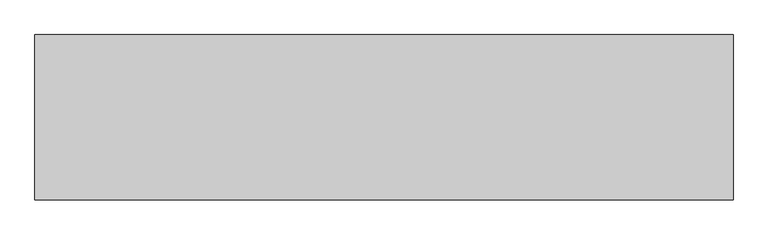
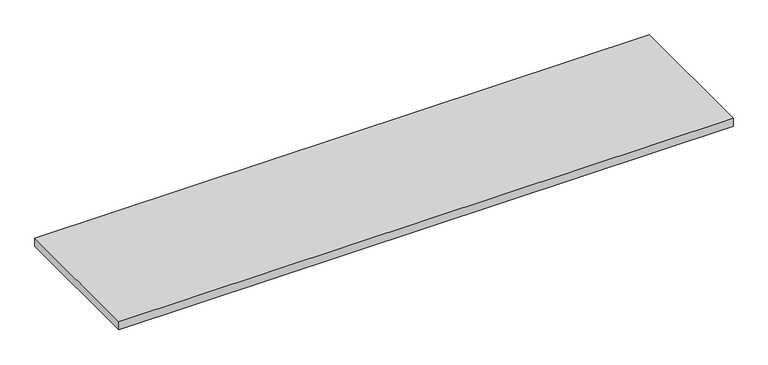
"""IFC4 building model written with IfcOpenShell, lengths in millimetres: furniture geometry."""

from ifc_helpers import new_model, si_unit, frame, origin, place, context, project, spatial, polyline, outline, extrude, source, transform, mapped, element, save


def furniture_38696c91(model_context):
    return source(origin(), model_context, "Body", "SweptSolid", [
        extrude(outline(polyline([(1370.076, 833.501), (1370.076, 328.549), (-760.476, 328.549), (-760.476, 833.501), (1370.076, 833.501)])), frame((0.0, 0.0, 964.184), z_axis=(0.0, 0.0, 1.0), x_axis=(1.0, 0.0, 0.0)), (0.0, 0.0, 1.0), 29.591),
    ])


if __name__ == "__main__":
    model = new_model("IFC4")
    model_context = context("Model", 3, world=origin())
    ifc_project = project(units=[si_unit("LENGTHUNIT", "METRE", prefix="MILLI")], contexts=[model_context])
    site = spatial("IfcSite", under=ifc_project)
    building = spatial("IfcBuilding", under=site)
    placement = place(None, origin())
    furniture_shape = furniture_38696c91(model_context)
    element("IfcFurniture", 1, at=placement, inside=building, context=model_context, shape_type="MappedRepresentation", body=[
        mapped(furniture_shape, transform((0.0, 0.0, 0.0), x_axis=(1.0, 0.0, 0.0), y_axis=(0.0, 1.0, 0.0), z_axis=(0.0, 0.0, 1.0))),
    ])
    save(model, "model.ifc")
